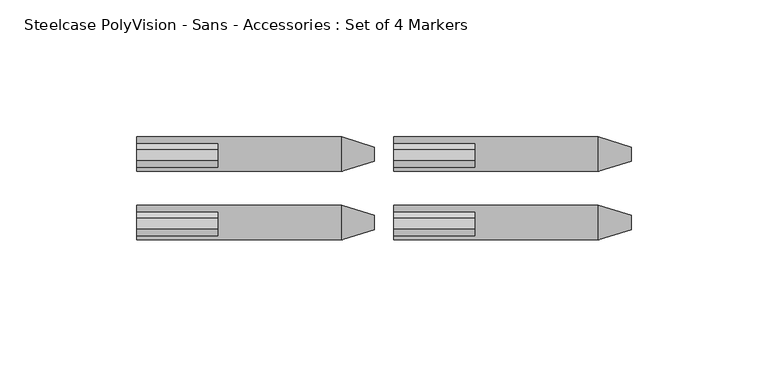
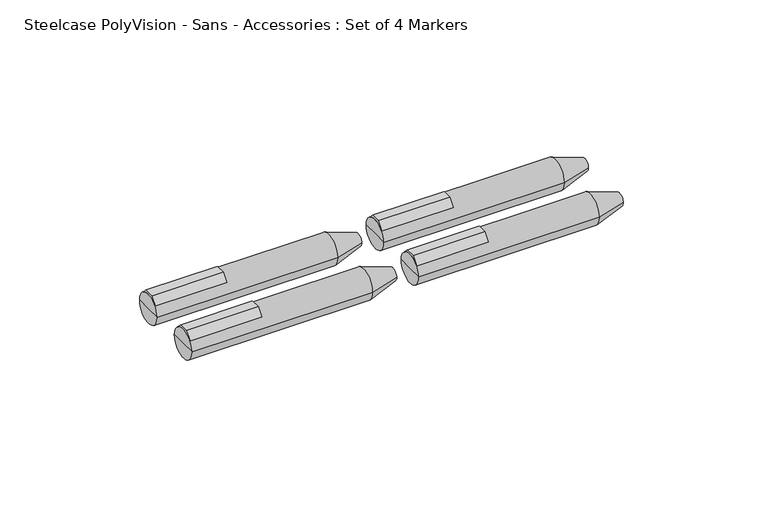
"""IFC4 building model written with IfcOpenShell, lengths in millimetres: furniture geometry, Steelcase PolyVision - Sans - Accessories : Set of 4 Markers."""

from ifc_helpers import new_model, si_unit, point, frame, frame_2d, origin, place, context, project, spatial, polyline, circle_curve, trimmed, segment, composite_curve, outline, extrude, source, transform, mapped, element, save
from ifc_brep_helpers import plane_surface, cylinder_surface, revolved_surface, advanced_brep


def steelcase_polyvision_sans_accessories_set_of_4_markers_1d718aeb(model_context):
    return source(origin(), model_context, "Body", "SolidModel", [
        extrude(outline(composite_curve([segment(polyline([(-46.9002556, 736.2360759), (-44.3660104, 739.2667045), (-40.3046255, 739.2667045), (-38.2817858, 737.2438649)]), True, "CONTINUOUS"), segment(trimmed(circle_curve(frame_2d((-42.0586838, 732.1875)), 6.3112427), [point((-38.2817858, 737.2438649))], [point((-46.9002556, 736.2360759))], True, "CARTESIAN"), True, "CONTINUOUS")], self_intersect=False)), frame((135.0, 0.0, 0.0), z_axis=(1.0, 0.0, 0.0), x_axis=(0.0, 1.0, 0.0)), (0.0, 0.0, 1.0), 29.5981934),
        advanced_brep(
        [(221.7464493, -44.6689896, 732.1875), (221.7464493, -39.448378, 732.1875), (221.7464493, -42.0586838, 732.1875), (209.8157822, -48.3699265, 732.1875), (209.8157822, -35.7474411, 732.1875), (135.0, -48.3699265, 732.1875), (135.0, -35.7474411, 732.1875), (135.0, -42.0586838, 732.1875)],
        [
            (0, 1, circle_curve(frame((221.7464493, -42.0586838, 732.1875), z_axis=(1.0, 0.0, 0.0), x_axis=(0.0, 1.0, 0.0)), 2.6103058)),
            (1, 2),
            (2, 0),
            (1, 0, circle_curve(frame((221.7464493, -42.0586838, 732.1875), z_axis=(1.0, 0.0, 0.0), x_axis=(0.0, 1.0, 0.0)), 2.6103058)),
            (3, 4, circle_curve(frame((209.8157822, -42.0586838, 732.1875), z_axis=(1.0, 0.0, 0.0), x_axis=(0.0, 1.0, 0.0)), 6.3112427)),
            (4, 1),
            (0, 3),
            (4, 3, circle_curve(frame((209.8157822, -42.0586838, 732.1875), z_axis=(1.0, 0.0, 0.0), x_axis=(0.0, 1.0, 0.0)), 6.3112427)),
            (5, 6, circle_curve(frame((135.0, -42.0586838, 732.1875), z_axis=(1.0, 0.0, 0.0), x_axis=(0.0, 1.0, 0.0)), 6.3112427)),
            (6, 4),
            (3, 5),
            (6, 5, circle_curve(frame((135.0, -42.0586838, 732.1875), z_axis=(1.0, 0.0, 0.0), x_axis=(0.0, 1.0, 0.0)), 6.3112427)),
            (7, 6),
            (5, 7),
        ],
        [
            plane_surface(frame((221.7464493, -42.0586838, 732.1875), z_axis=(1.0, 0.0, 0.0), x_axis=(0.0, 1.0, 0.0))),
            revolved_surface(polyline([(221.7464493, -39.448378, 732.1875), (209.8157822, -35.7474411, 732.1875)]), (135.0, -42.0586838, 732.1875), (-1.0, 0.0, 0.0)),
            cylinder_surface(frame((135.0, -42.0586838, 732.1875), z_axis=(-1.0, 0.0, 0.0), x_axis=(0.0, 1.0, 0.0)), 6.3112427),
            plane_surface(frame((135.0, -42.0586838, 732.1875), z_axis=(-1.0, 0.0, 0.0), x_axis=(0.0, 1.0, 0.0))),
        ],
        [
            (0, [[1, 2, 3]]),
            (0, [[4, -3, -2]]),
            (1, [[5, 6, -1, 7]]),
            (1, [[8, -7, -4, -6]]),
            (2, [[9, 10, -5, 11]]),
            (2, [[12, -11, -8, -10]]),
            (3, [[13, -9, 14]]),
            (3, [[-14, -12, -13]]),
        ],
    ),
        extrude(outline(composite_curve([segment(polyline([(-21.9002556, 736.2360759), (-19.3660104, 739.2667045), (-15.3046255, 739.2667045), (-13.2817858, 737.2438649)]), True, "CONTINUOUS"), segment(trimmed(circle_curve(frame_2d((-17.0586838, 732.1875)), 6.3112427), [point((-13.2817858, 737.2438649))], [point((-21.9002556, 736.2360759))], True, "CARTESIAN"), True, "CONTINUOUS")], self_intersect=False)), frame((135.0, 0.0, 0.0), z_axis=(1.0, 0.0, 0.0), x_axis=(0.0, 1.0, 0.0)), (0.0, 0.0, 1.0), 29.5981934),
        advanced_brep(
        [(221.7464493, -19.6689896, 732.1875), (221.7464493, -14.448378, 732.1875), (221.7464493, -17.0586838, 732.1875), (209.8157822, -23.3699265, 732.1875), (209.8157822, -10.7474411, 732.1875), (135.0, -23.3699265, 732.1875), (135.0, -10.7474411, 732.1875), (135.0, -17.0586838, 732.1875)],
        [
            (0, 1, circle_curve(frame((221.7464493, -17.0586838, 732.1875), z_axis=(1.0, 0.0, 0.0), x_axis=(0.0, 1.0, 0.0)), 2.6103058)),
            (1, 2),
            (2, 0),
            (1, 0, circle_curve(frame((221.7464493, -17.0586838, 732.1875), z_axis=(1.0, 0.0, 0.0), x_axis=(0.0, 1.0, 0.0)), 2.6103058)),
            (3, 4, circle_curve(frame((209.8157822, -17.0586838, 732.1875), z_axis=(1.0, 0.0, 0.0), x_axis=(0.0, 1.0, 0.0)), 6.3112427)),
            (4, 1),
            (0, 3),
            (4, 3, circle_curve(frame((209.8157822, -17.0586838, 732.1875), z_axis=(1.0, 0.0, 0.0), x_axis=(0.0, 1.0, 0.0)), 6.3112427)),
            (5, 6, circle_curve(frame((135.0, -17.0586838, 732.1875), z_axis=(1.0, 0.0, 0.0), x_axis=(0.0, 1.0, 0.0)), 6.3112427)),
            (6, 4),
            (3, 5),
            (6, 5, circle_curve(frame((135.0, -17.0586838, 732.1875), z_axis=(1.0, 0.0, 0.0), x_axis=(0.0, 1.0, 0.0)), 6.3112427)),
            (7, 6),
            (5, 7),
        ],
        [
            plane_surface(frame((221.7464493, -17.0586838, 732.1875), z_axis=(1.0, 0.0, 0.0), x_axis=(0.0, 1.0, 0.0))),
            revolved_surface(polyline([(221.7464493, -14.448378, 732.1875), (209.8157822, -10.7474411, 732.1875)]), (135.0, -17.0586838, 732.1875), (-1.0, 0.0, 0.0)),
            cylinder_surface(frame((135.0, -17.0586838, 732.1875), z_axis=(-1.0, 0.0, 0.0), x_axis=(0.0, 1.0, 0.0)), 6.3112427),
            plane_surface(frame((135.0, -17.0586838, 732.1875), z_axis=(-1.0, 0.0, 0.0), x_axis=(0.0, 1.0, 0.0))),
        ],
        [
            (0, [[1, 2, 3]]),
            (0, [[4, -3, -2]]),
            (1, [[5, 6, -1, 7]]),
            (1, [[8, -7, -4, -6]]),
            (2, [[9, 10, -5, 11]]),
            (2, [[12, -11, -8, -10]]),
            (3, [[13, -9, 14]]),
            (3, [[-14, -12, -13]]),
        ],
    ),
        extrude(outline(composite_curve([segment(polyline([(-46.9002556, 736.2360759), (-44.3660104, 739.2667045), (-40.3046255, 739.2667045), (-38.2817858, 737.2438649)]), True, "CONTINUOUS"), segment(trimmed(circle_curve(frame_2d((-42.0586838, 732.1875)), 6.3112427), [point((-38.2817858, 737.2438649))], [point((-46.9002556, 736.2360759))], True, "CARTESIAN"), True, "CONTINUOUS")], self_intersect=False)), frame((41.25, 0.0, 0.0), z_axis=(1.0, 0.0, 0.0), x_axis=(0.0, 1.0, 0.0)), (0.0, 0.0, 1.0), 29.5981934),
        advanced_brep(
        [(127.9964493, -44.6689896, 732.1875), (127.9964493, -39.448378, 732.1875), (127.9964493, -42.0586838, 732.1875), (116.0657822, -48.3699265, 732.1875), (116.0657822, -35.7474411, 732.1875), (41.25, -48.3699265, 732.1875), (41.25, -35.7474411, 732.1875), (41.25, -42.0586838, 732.1875)],
        [
            (0, 1, circle_curve(frame((127.9964493, -42.0586838, 732.1875), z_axis=(1.0, 0.0, 0.0), x_axis=(0.0, 1.0, 0.0)), 2.6103058)),
            (1, 2),
            (2, 0),
            (1, 0, circle_curve(frame((127.9964493, -42.0586838, 732.1875), z_axis=(1.0, 0.0, 0.0), x_axis=(0.0, 1.0, 0.0)), 2.6103058)),
            (3, 4, circle_curve(frame((116.0657822, -42.0586838, 732.1875), z_axis=(1.0, 0.0, 0.0), x_axis=(0.0, 1.0, 0.0)), 6.3112427)),
            (4, 1),
            (0, 3),
            (4, 3, circle_curve(frame((116.0657822, -42.0586838, 732.1875), z_axis=(1.0, 0.0, 0.0), x_axis=(0.0, 1.0, 0.0)), 6.3112427)),
            (5, 6, circle_curve(frame((41.25, -42.0586838, 732.1875), z_axis=(1.0, 0.0, 0.0), x_axis=(0.0, 1.0, 0.0)), 6.3112427)),
            (6, 4),
            (3, 5),
            (6, 5, circle_curve(frame((41.25, -42.0586838, 732.1875), z_axis=(1.0, 0.0, 0.0), x_axis=(0.0, 1.0, 0.0)), 6.3112427)),
            (7, 6),
            (5, 7),
        ],
        [
            plane_surface(frame((127.9964493, -42.0586838, 732.1875), z_axis=(1.0, 0.0, 0.0), x_axis=(0.0, 1.0, 0.0))),
            revolved_surface(polyline([(127.9964493, -39.448378, 732.1875), (116.0657822, -35.7474411, 732.1875)]), (41.25, -42.0586838, 732.1875), (-1.0, 0.0, 0.0)),
            cylinder_surface(frame((41.25, -42.0586838, 732.1875), z_axis=(-1.0, 0.0, 0.0), x_axis=(0.0, 1.0, 0.0)), 6.3112427),
            plane_surface(frame((41.25, -42.0586838, 732.1875), z_axis=(-1.0, 0.0, 0.0), x_axis=(0.0, 1.0, 0.0))),
        ],
        [
            (0, [[1, 2, 3]]),
            (0, [[4, -3, -2]]),
            (1, [[5, 6, -1, 7]]),
            (1, [[8, -7, -4, -6]]),
            (2, [[9, 10, -5, 11]]),
            (2, [[12, -11, -8, -10]]),
            (3, [[13, -9, 14]]),
            (3, [[-14, -12, -13]]),
        ],
    ),
        extrude(outline(composite_curve([segment(polyline([(-21.9002556, 736.2360759), (-19.3660104, 739.2667045), (-15.3046255, 739.2667045), (-13.2817858, 737.2438649)]), True, "CONTINUOUS"), segment(trimmed(circle_curve(frame_2d((-17.0586838, 732.1875)), 6.3112427), [point((-13.2817858, 737.2438649))], [point((-21.9002556, 736.2360759))], True, "CARTESIAN"), True, "CONTINUOUS")], self_intersect=False)), frame((41.25, 0.0, 0.0), z_axis=(1.0, 0.0, 0.0), x_axis=(0.0, 1.0, 0.0)), (0.0, 0.0, 1.0), 29.5981934),
        advanced_brep(
        [(127.9964493, -19.6689896, 732.1875), (127.9964493, -14.448378, 732.1875), (127.9964493, -17.0586838, 732.1875), (116.0657822, -23.3699265, 732.1875), (116.0657822, -10.7474411, 732.1875), (41.25, -23.3699265, 732.1875), (41.25, -10.7474411, 732.1875), (41.25, -17.0586838, 732.1875)],
        [
            (0, 1, circle_curve(frame((127.9964493, -17.0586838, 732.1875), z_axis=(1.0, 0.0, 0.0), x_axis=(0.0, 1.0, 0.0)), 2.6103058)),
            (1, 2),
            (2, 0),
            (1, 0, circle_curve(frame((127.9964493, -17.0586838, 732.1875), z_axis=(1.0, 0.0, 0.0), x_axis=(0.0, 1.0, 0.0)), 2.6103058)),
            (3, 4, circle_curve(frame((116.0657822, -17.0586838, 732.1875), z_axis=(1.0, 0.0, 0.0), x_axis=(0.0, 1.0, 0.0)), 6.3112427)),
            (4, 1),
            (0, 3),
            (4, 3, circle_curve(frame((116.0657822, -17.0586838, 732.1875), z_axis=(1.0, 0.0, 0.0), x_axis=(0.0, 1.0, 0.0)), 6.3112427)),
            (5, 6, circle_curve(frame((41.25, -17.0586838, 732.1875), z_axis=(1.0, 0.0, 0.0), x_axis=(0.0, 1.0, 0.0)), 6.3112427)),
            (6, 4),
            (3, 5),
            (6, 5, circle_curve(frame((41.25, -17.0586838, 732.1875), z_axis=(1.0, 0.0, 0.0), x_axis=(0.0, 1.0, 0.0)), 6.3112427)),
            (7, 6),
            (5, 7),
        ],
        [
            plane_surface(frame((127.9964493, -17.0586838, 732.1875), z_axis=(1.0, 0.0, 0.0), x_axis=(0.0, 1.0, 0.0))),
            revolved_surface(polyline([(127.9964493, -14.448378, 732.1875), (116.0657822, -10.7474411, 732.1875)]), (41.25, -17.0586838, 732.1875), (-1.0, 0.0, 0.0)),
            cylinder_surface(frame((41.25, -17.0586838, 732.1875), z_axis=(-1.0, 0.0, 0.0), x_axis=(0.0, 1.0, 0.0)), 6.3112427),
            plane_surface(frame((41.25, -17.0586838, 732.1875), z_axis=(-1.0, 0.0, 0.0), x_axis=(0.0, 1.0, 0.0))),
        ],
        [
            (0, [[1, 2, 3]]),
            (0, [[4, -3, -2]]),
            (1, [[5, 6, -1, 7]]),
            (1, [[8, -7, -4, -6]]),
            (2, [[9, 10, -5, 11]]),
            (2, [[12, -11, -8, -10]]),
            (3, [[13, -9, 14]]),
            (3, [[-14, -12, -13]]),
        ],
    ),
    ])


if __name__ == "__main__":
    model = new_model("IFC4")
    model_context = context("Model", 3, world=origin())
    ifc_project = project(units=[si_unit("LENGTHUNIT", "METRE", prefix="MILLI")], contexts=[model_context])
    site = spatial("IfcSite", under=ifc_project)
    building = spatial("IfcBuilding", under=site)
    placement = place(None, origin())
    steelcase_polyvision_sans_accessories_set_of_4_markers_shape = steelcase_polyvision_sans_accessories_set_of_4_markers_1d718aeb(model_context)
    element("IfcFurniture", 1, ObjectType="Steelcase PolyVision - Sans - Accessories : Set of 4 Markers", at=placement, inside=building, context=model_context, shape_type="MappedRepresentation", body=[
        mapped(steelcase_polyvision_sans_accessories_set_of_4_markers_shape, transform((0.0, 0.0, 0.0), x_axis=(1.0, 0.0, 0.0), y_axis=(0.0, 1.0, 0.0), z_axis=(0.0, 0.0, 1.0))),
    ])
    save(model, "model.ifc")
